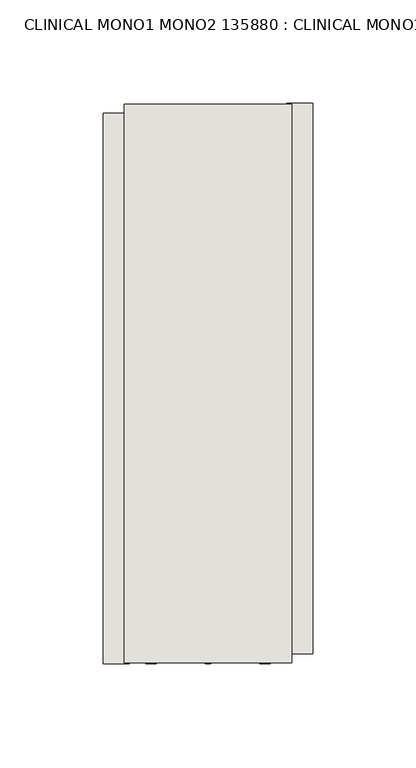
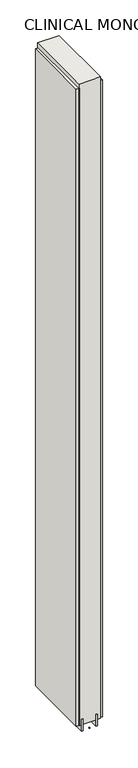
"""IFC4 building model written with IfcOpenShell, lengths in millimetres: wall geometry, CLINICAL MONO1 MONO2 135880 : CLINICAL MONO1 MONO2 135880."""

from ifc_helpers import new_model, si_unit, frame, origin, place, context, project, spatial, polyline, outline, extrude, source, transform, mapped, element, save


def clinical_mono1_mono2_135880_clinical_mono1_mono2_135880_7c3dffa7(model_context):
    return source(origin(), model_context, "Body", "SweptSolid", [
        extrude(outline(polyline([(45874.0972534, -37732.5297164), (45874.0972534, -37729.9897164), (45876.6372534, -37729.9897164), (45876.6372534, -37732.5297164), (45874.0972534, -37732.5297164)])), frame((0.0, 0.0, 4419.6), z_axis=(0.0, 0.0, 1.0), x_axis=(1.0, 0.0, 0.0)), (0.0, 0.0, 1.0), 2.54),
        extrude(outline(polyline([(45926.1672534, -37461.2028778), (45926.1672534, -37728.0681302), (45913.4672534, -37728.0681302), (45913.4672534, -37461.2028778), (45926.1672534, -37461.2028778)])), frame((0.0, 0.0, 4445.0), z_axis=(0.0, 0.0, 1.0), x_axis=(1.0, 0.0, 0.0)), (0.0, 0.0, 1.0), 2545.0498756),
        extrude(outline(polyline([(45824.5672534, -37732.998067), (45824.5672534, -37466.1328146), (45837.2672534, -37466.1328146), (45837.2672534, -37732.998067), (45824.5672534, -37732.998067)])), frame((0.0, 0.0, 4445.0), z_axis=(0.0, 0.0, 1.0), x_axis=(1.0, 0.0, 0.0)), (0.0, 0.0, 1.0), 2545.0498756),
        extrude(outline(polyline([(45900.4417016, -37732.5371586), (45900.4417016, -37461.6730826), (45905.520457, -37461.6730826), (45905.520457, -37732.5371586), (45900.4417016, -37732.5371586)])), frame((0.0, 0.0, 4418.6602), z_axis=(0.0, 0.0, 1.0), x_axis=(1.0, 0.0, 0.0)), (0.0, 0.0, 1.0), 47.625),
        extrude(outline(polyline([(45900.4417016, -37732.5371586), (45900.4417016, -37461.6730826), (45905.520457, -37461.6730826), (45905.520457, -37732.5371586), (45900.4417016, -37732.5371586)])), frame((0.0, 0.0, 4418.6602), z_axis=(0.0, 0.0, 1.0), x_axis=(1.0, 0.0, 0.0)), (0.0, 0.0, 1.0), 47.625),
        extrude(outline(polyline([(45850.2773112, -37461.6730826), (45850.2773112, -37732.5371586), (45845.195457, -37732.5371586), (45845.195457, -37461.6730826), (45850.2773112, -37461.6730826)])), frame((0.0, 0.0, 4418.6602), z_axis=(0.0, 0.0, 1.0), x_axis=(1.0, 0.0, 0.0)), (0.0, 0.0, 1.0), 47.625),
        extrude(outline(polyline([(45850.2773112, -37461.6730826), (45850.2773112, -37732.5371586), (45845.195457, -37732.5371586), (45845.195457, -37461.6730826), (45850.2773112, -37461.6730826)])), frame((0.0, 0.0, 4418.6602), z_axis=(0.0, 0.0, 1.0), x_axis=(1.0, 0.0, 0.0)), (0.0, 0.0, 1.0), 47.625),
        extrude(outline(polyline([(45916.0128414, -37732.5371586), (45834.7309872, -37732.5371586), (45834.7309872, -37461.6730826), (45916.0128414, -37461.6730826), (45916.0128414, -37732.5371586)])), frame((0.0, 0.0, 4445.0), z_axis=(0.0, 0.0, 1.0), x_axis=(1.0, 0.0, 0.0)), (0.0, 0.0, 1.0), 2562.4536762),
    ])


if __name__ == "__main__":
    model = new_model("IFC4")
    model_context = context("Model", 3, world=origin())
    ifc_project = project(units=[si_unit("LENGTHUNIT", "METRE", prefix="MILLI")], contexts=[model_context])
    site = spatial("IfcSite", under=ifc_project)
    building = spatial("IfcBuilding", under=site)
    placement = place(None, origin())
    clinical_mono1_mono2_135880_clinical_mono1_mono2_135880_shape = clinical_mono1_mono2_135880_clinical_mono1_mono2_135880_7c3dffa7(model_context)
    element("IfcWall", 1, ObjectType="CLINICAL MONO1 MONO2 135880 : CLINICAL MONO1 MONO2 135880", at=placement, inside=building, context=model_context, shape_type="MappedRepresentation", body=[
        mapped(clinical_mono1_mono2_135880_clinical_mono1_mono2_135880_shape, transform((0.0, 0.0, 0.0), x_axis=(1.0, 0.0, 0.0), y_axis=(0.0, 1.0, 0.0), z_axis=(0.0, 0.0, 1.0))),
    ])
    save(model, "model.ifc")
